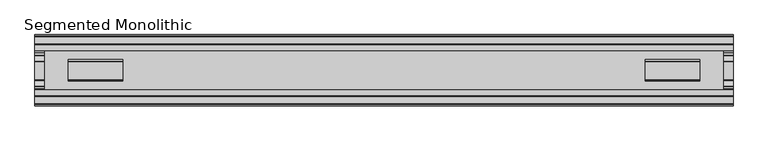
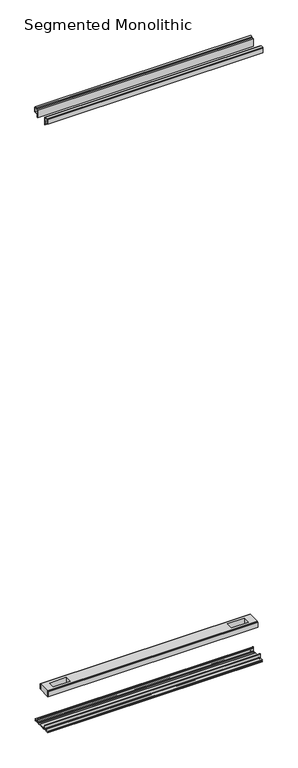
"""IFC4 building model written with IfcOpenShell, lengths in millimetres: proxy geometry, Segmented Monolithic."""

from ifc_helpers import new_model, si_unit, point, frame, frame_2d, origin, place, context, project, spatial, polyline, circle_curve, trimmed, segment, composite_curve, outline, extrude, source, transform, mapped, element, save


def segmented_monolithic_7aa5772a(model_context):
    return source(origin(), model_context, "Body", "SweptSolid", [
        extrude(outline(polyline([(-51.5561537, 3004.342878), (-51.5561537, 3026.5679749), (-50.0750275, 3026.5679749), (-48.5081566, 3026.0889343), (-48.5081566, 3030.8351562), (-38.5081583, 3030.8351562), (-38.5081583, 3026.0889343), (-37.143843, 3026.5679749), (-28.9052016, 3026.5679749), (-28.9052016, 2988.4679749), (-30.5562, 2988.4679749), (-30.5562, 3004.342878), (-51.5561537, 3004.342878)]), holes=[polyline([(-49.9051552, 3024.409095), (-49.9051552, 3005.99394), (-30.5562, 3005.99394), (-30.5562, 3024.409095), (-49.9051552, 3024.409095)])]), frame((-506.1204, 0.0, 0.0), z_axis=(1.0, 0.0, 0.0), x_axis=(0.0, 1.0, 0.0)), (0.0, 0.0, 1.0), 1012.2408),
        extrude(outline(polyline([(51.5556444, 3004.342878), (30.5556907, 3004.342878), (30.5556907, 2988.4679749), (28.9046923, 2988.4679749), (28.9046923, 3026.5679749), (37.1433337, 3026.5679749), (38.507649, 3026.0889343), (38.507649, 3030.8351562), (48.5076473, 3030.8351562), (48.5076473, 3026.0889343), (50.0745183, 3026.5679749), (51.5556444, 3026.5679749), (51.5556444, 3004.342878)]), holes=[polyline([(49.904646, 3024.409095), (30.5556907, 3024.409095), (30.5556907, 3005.99394), (49.904646, 3005.99394), (49.904646, 3024.409095)])]), frame((-506.1204, 0.0, 0.0), z_axis=(1.0, 0.0, 0.0), x_axis=(0.0, 1.0, 0.0)), (0.0, 0.0, 1.0), 1012.2408),
        extrude(outline(polyline([(492.0615091, 29.0068005), (-492.0615091, 29.0068005), (-492.0615091, 32.1817997), (492.0615091, 32.1817997), (492.0615091, 29.0068005)])), frame((0.0, 0.0, 149.8401622), z_axis=(0.0, 0.0, 1.0), x_axis=(1.0, 0.0, 0.0)), (0.0, 0.0, 1.0), 25.3999939),
        extrude(outline(polyline([(492.0615091, -32.1817997), (-492.0615091, -32.1817997), (-492.0615091, -29.0068005), (492.0615091, -29.0068005), (492.0615091, -32.1817997)])), frame((0.0, 0.0, 149.8401622), z_axis=(0.0, 0.0, 1.0), x_axis=(1.0, 0.0, 0.0)), (0.0, 0.0, 1.0), 25.3999939),
        extrude(outline(polyline([(492.0615091, -29.0068005), (-492.0615091, -29.0068005), (-492.0615091, 29.0068005), (492.0615091, 29.0068005), (492.0615091, -29.0068005)]), holes=[polyline([(457.6444965, -15.1130038), (457.6444965, 15.875003), (378.5996847, 15.875003), (378.5996847, -15.1130038), (457.6444965, -15.1130038)]), polyline([(-457.6444965, -15.1130038), (-378.5996847, -15.1130038), (-378.5996847, 15.875003), (-457.6444965, 15.875003), (-457.6444965, -15.1130038)])]), frame((0.0, 0.0, 148.4185847), z_axis=(0.0, 0.0, 1.0), x_axis=(1.0, 0.0, 0.0)), (0.0, 0.0, 1.0), 27.9999988),
        extrude(outline(composite_curve([segment(trimmed(circle_curve(frame_2d((26.6420561, -7.7516037)), 2.17424), [point((28.8162961, -7.7516037))], [point((26.6420561, -9.9258438))], False, "CARTESIAN"), True, "CONTINUOUS"), segment(polyline([(26.6420561, -9.9258438), (22.3510694, -9.9258438)]), True, "CONTINUOUS"), segment(trimmed(circle_curve(frame_2d((17.7706549, -6.4800016)), 5.7318431), [point((22.3510694, -9.9258438))], [point((13.1902404, -9.9258438))], False, "CARTESIAN"), True, "CONTINUOUS"), segment(polyline([(13.1902404, -9.9258438), (-13.57124, -9.9258438)]), True, "CONTINUOUS"), segment(trimmed(circle_curve(frame_2d((-18.1516545, -6.4800016)), 5.7318431), [point((-13.57124, -9.9258438))], [point((-22.732069, -9.9258438))], False, "CARTESIAN"), True, "CONTINUOUS"), segment(polyline([(-22.732069, -9.9258438), (-27.0230557, -9.9258438)]), True, "CONTINUOUS"), segment(trimmed(circle_curve(frame_2d((-27.0230557, -7.7516037)), 2.17424), [point((-27.0230557, -9.9258438))], [point((-29.1972958, -7.7516037))], False, "CARTESIAN"), True, "CONTINUOUS"), segment(polyline([(-29.1972958, -7.7516037), (-29.1972958, 9.8607558)]), True, "CONTINUOUS"), segment(trimmed(circle_curve(frame_2d((-27.9780978, 9.8607558)), 1.2191979), [point((-29.1972958, 9.8607558))], [point((-26.7588999, 9.8607558))], False, "CARTESIAN"), True, "CONTINUOUS"), segment(polyline([(-26.7588999, 9.8607558), (-26.7588999, 5.9999563), (-28.0390765, 5.9999563), (-28.0390765, -7.7516037)]), True, "CONTINUOUS"), segment(trimmed(circle_curve(frame_2d((-27.0230557, -7.7516037)), 1.0160208), [point((-28.0390765, -7.7516037))], [point((-27.0295728, -8.7676036))], True, "CARTESIAN"), True, "CONTINUOUS"), segment(polyline([(-27.0295728, -8.7676036), (-23.0866222, -8.7676036), (-22.1732605, -8.968753)]), True, "CONTINUOUS"), segment(trimmed(circle_curve(frame_2d((-18.1483018, -6.1259382)), 4.9276657), [point((-22.1732605, -8.968753))], [point((-14.123343, -8.968753))], True, "CARTESIAN"), True, "CONTINUOUS"), segment(polyline([(-14.123343, -8.968753), (-13.2099722, -8.7676036), (12.8289726, -8.7676036), (13.7423434, -8.968753)]), True, "CONTINUOUS"), segment(trimmed(circle_curve(frame_2d((17.7673021, -6.1259382)), 4.9276657), [point((13.7423434, -8.968753))], [point((21.7922609, -8.968753))], True, "CARTESIAN"), True, "CONTINUOUS"), segment(polyline([(21.7922609, -8.968753), (22.7056226, -8.7676036), (26.6485732, -8.7676036)]), True, "CONTINUOUS"), segment(trimmed(circle_curve(frame_2d((26.6420561, -7.7516037)), 1.0160208), [point((26.6485732, -8.7676036))], [point((27.6580769, -7.7516037))], True, "CARTESIAN"), True, "CONTINUOUS"), segment(polyline([(27.6580769, -7.7516037), (27.6580769, 5.9999563), (26.3779003, 5.9999563), (26.3779003, 9.8607558)]), True, "CONTINUOUS"), segment(trimmed(circle_curve(frame_2d((27.5970982, 9.8607558)), 1.2191979), [point((26.3779003, 9.8607558))], [point((28.8162961, 9.8607558))], False, "CARTESIAN"), True, "CONTINUOUS"), segment(polyline([(28.8162961, 9.8607558), (28.8162961, -7.7516037)]), True, "CONTINUOUS")], self_intersect=False)), frame((-506.1204, 0.0, 0.0), z_axis=(1.0, 0.0, 0.0), x_axis=(0.0, 1.0, 0.0)), (0.0, 0.0, 1.0), 1012.2408),
        extrude(outline(composite_curve([segment(polyline([(50.2668422, -13.9898438), (39.6557522, -13.9898438)]), True, "CONTINUOUS"), segment(trimmed(circle_curve(frame_2d((39.6557522, -12.4658438)), 1.524), [point((39.6557522, -13.9898438))], [point((38.1317522, -12.4658438))], False, "CARTESIAN"), True, "CONTINUOUS"), segment(polyline([(38.1317522, -12.4658438), (38.1317522, -7.766844), (31.3054974, -7.766844), (31.3054974, -10.0528438)]), True, "CONTINUOUS"), segment(trimmed(circle_curve(frame_2d((29.7814974, -10.0528438)), 1.524), [point((31.3054974, -10.0528438))], [point((29.7814974, -11.5768438))], False, "CARTESIAN"), True, "CONTINUOUS"), segment(polyline([(29.7814974, -11.5768438), (23.2753553, -11.5768438)]), True, "CONTINUOUS"), segment(trimmed(circle_curve(frame_2d((17.7673021, -6.4968436)), 7.4930002), [point((23.2753553, -11.5768438))], [point((12.5094972, -11.8354331))], False, "CARTESIAN"), True, "CONTINUOUS"), segment(polyline([(12.5094972, -11.8354331), (-12.8904968, -11.8354331)]), True, "CONTINUOUS"), segment(trimmed(circle_curve(frame_2d((-18.1483018, -6.4968436)), 7.4930002), [point((-12.8904968, -11.8354331))], [point((-23.6563549, -11.5768438))], False, "CARTESIAN"), True, "CONTINUOUS"), segment(polyline([(-23.6563549, -11.5768438), (-30.1624971, -11.5768438)]), True, "CONTINUOUS"), segment(trimmed(circle_curve(frame_2d((-30.1624971, -10.0528438)), 1.524), [point((-30.1624971, -11.5768438))], [point((-31.686497, -10.0528438))], False, "CARTESIAN"), True, "CONTINUOUS"), segment(polyline([(-31.686497, -10.0528438), (-31.686497, -7.766844), (-38.5127519, -7.766844), (-38.5127519, -12.4658438)]), True, "CONTINUOUS"), segment(trimmed(circle_curve(frame_2d((-40.0367518, -12.4658438)), 1.524), [point((-38.5127519, -12.4658438))], [point((-40.0367518, -13.9898438))], False, "CARTESIAN"), True, "CONTINUOUS"), segment(polyline([(-40.0367518, -13.9898438), (-50.00625, -13.9898438), (-50.00625, -12.3388438), (-40.1637503, -12.3388438), (-40.1637503, -7.766844), (-50.00625, -7.766844), (-50.00625, -6.1158439), (-31.6239218, -6.1158439)]), True, "CONTINUOUS"), segment(trimmed(circle_curve(frame_2d((-31.6864982, -7.7656583)), 1.6510007), [point((-31.6239218, -6.1158439))], [point((-30.0354975, -7.7656583))], False, "CARTESIAN"), True, "CONTINUOUS"), segment(polyline([(-30.0354975, -7.7656583), (-30.0354975, -9.9258438), (-23.486834, -9.9258438)]), True, "CONTINUOUS"), segment(trimmed(circle_curve(frame_2d((-18.1483018, -5.2268471)), 7.1119966), [point((-23.486834, -9.9258438))], [point((-12.8097695, -9.9258438))], True, "CARTESIAN"), True, "CONTINUOUS"), segment(polyline([(-12.8097695, -9.9258438), (12.4287699, -9.9258438)]), True, "CONTINUOUS"), segment(trimmed(circle_curve(frame_2d((17.7673021, -5.2268471)), 7.1119966), [point((12.4287699, -9.9258438))], [point((23.1058344, -9.9258438))], True, "CARTESIAN"), True, "CONTINUOUS"), segment(polyline([(23.1058344, -9.9258438), (29.6544978, -9.9258438), (29.6544978, -7.6398436)]), True, "CONTINUOUS"), segment(trimmed(circle_curve(frame_2d((31.1784975, -7.6398436)), 1.5239997), [point((29.6544978, -7.6398436))], [point((31.1784975, -6.1158439))], False, "CARTESIAN"), True, "CONTINUOUS"), segment(polyline([(31.1784975, -6.1158439), (50.2668422, -6.1158439), (50.2240211, -7.766844), (39.7827507, -7.766844), (39.7827507, -12.3388438), (50.2240211, -12.3388438), (50.2668422, -13.9898438)]), True, "CONTINUOUS")], self_intersect=False)), frame((-504.4694, 0.0, 0.0), z_axis=(1.0, 0.0, 0.0), x_axis=(0.0, 1.0, 0.0)), (0.0, 0.0, 1.0), 1008.9388),
    ])


if __name__ == "__main__":
    model = new_model("IFC4")
    model_context = context("Model", 3, world=origin())
    ifc_project = project(units=[si_unit("LENGTHUNIT", "METRE", prefix="MILLI")], contexts=[model_context])
    site = spatial("IfcSite", under=ifc_project)
    building = spatial("IfcBuilding", under=site)
    placement = place(None, origin())
    segmented_monolithic_shape = segmented_monolithic_7aa5772a(model_context)
    element("IfcBuildingElementProxy", 1, Name="Segmented Monolithic", ObjectType="Segmented Monolithic", at=placement, inside=building, context=model_context, shape_type="MappedRepresentation", body=[
        mapped(segmented_monolithic_shape, transform((0.0, 0.0, 0.0), x_axis=(1.0, 0.0, 0.0), y_axis=(0.0, 1.0, 0.0), z_axis=(0.0, 0.0, 1.0))),
    ])
    save(model, "model.ifc")
